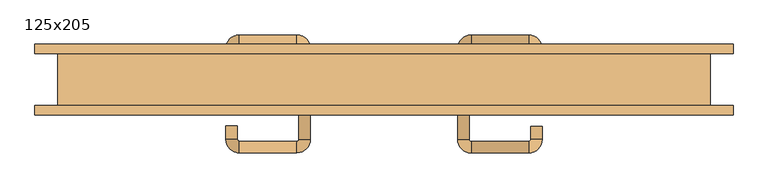
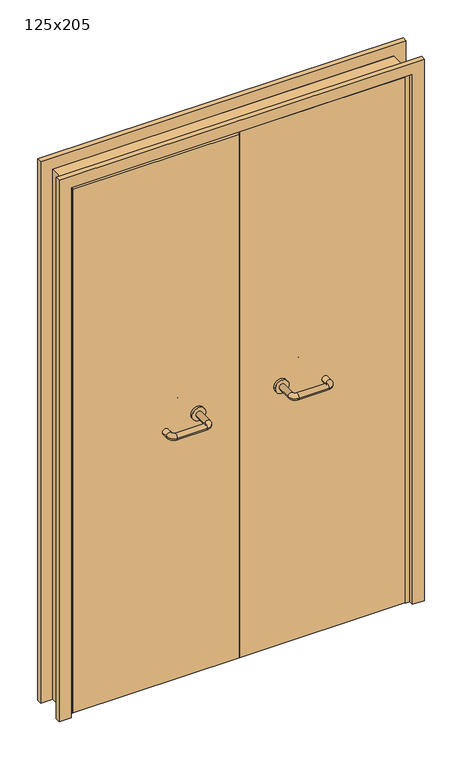
"""IFC4 building model written with IfcOpenShell, lengths in millimetres: door geometry, 125x205."""

from ifc_helpers import new_model, si_unit, point, frame, frame_2d, origin, place, context, project, spatial, polyline, circle_curve, ellipse_curve, trimmed, segment, composite_curve, outline, extrude, faceted_brep, source, transform, mapped, element, save
from ifc_brep_helpers import plane_surface, cylinder_surface, revolved_surface, advanced_brep


def door_125x205_083fb116(model_context):
    return source(origin(), model_context, "Body", "SolidModel", [
        faceted_brep([(-600.0, -3.0, 0.0), (-610.0, -3.0, 0.0), (-610.0, 49.0, 0.0), (-600.0, 49.0, 0.0), (-600.0, 49.0, 2025.0), (-600.0, -3.0, 2025.0), (-610.0, 49.0, 2035.0), (-610.0, -3.0, 2035.0), (600.0, -3.0, 0.0), (600.0, 49.0, 0.0), (610.0, 49.0, 0.0), (610.0, -3.0, 0.0), (600.0, -3.0, 2025.0), (610.0, -3.0, 2035.0), (610.0, 49.0, 2035.0), (600.0, 49.0, 2025.0)], [[[0, 1, 2, 3]], [[3, 4, 5, 0]], [[2, 6, 4, 3]], [[1, 7, 6, 2]], [[0, 5, 7, 1]], [[8, 9, 10, 11]], [[12, 8, 11, 13]], [[13, 11, 10, 14]], [[14, 10, 9, 15]], [[15, 9, 8, 12]], [[4, 15, 12, 5]], [[6, 14, 15, 4]], [[7, 13, 14, 6]], [[5, 12, 13, 7]]]),
        extrude(outline(polyline([(2094.0, 669.0), (2094.0, -669.0), (0.0, -669.0), (0.0, -625.0), (2050.0, -625.0), (2050.0, 625.0), (0.0, 625.0), (0.0, 669.0), (2094.0, 669.0)])), frame((0.0, -68.0, 0.0), z_axis=(0.0, 1.0, 0.0), x_axis=(0.0, 0.0, 1.0)), (0.0, 0.0, 1.0), 18.0),
        extrude(outline(polyline([(2094.0, -669.0), (0.0, -669.0), (0.0, -625.0), (2050.0, -625.0), (2050.0, 625.0), (0.0, 625.0), (0.0, 669.0), (2094.0, 669.0), (2094.0, -669.0)])), frame((0.0, 50.0, 0.0), z_axis=(0.0, 1.0, 0.0), x_axis=(0.0, 0.0, 1.0)), (0.0, 0.0, 1.0), 18.0),
        extrude(outline(polyline([(2050.0, -625.0), (0.0, -625.0), (0.0, -610.0), (2035.0, -610.0), (2035.0, 610.0), (0.0, 610.0), (0.0, 625.0), (2050.0, 625.0), (2050.0, -625.0)])), frame((0.0, -50.0, 0.0), z_axis=(0.0, 1.0, 0.0), x_axis=(0.0, 0.0, 1.0)), (0.0, 0.0, 1.0), 99.0),
        advanced_brep(
        [(140.99898, 4.0, 1003.0), (162.99898, 4.0, 1003.0), (162.99898, 59.3525369, 1003.0), (140.99898, 59.3525369, 1003.0), (166.99898, 63.3525369, 1003.0), (166.99898, 85.3525369, 1003.0), (276.99898, 63.3525369, 1003.0), (276.99898, 85.3525369, 1003.0), (280.99898, 59.3525369, 1003.0), (302.99898, 59.3525369, 1003.0), (302.99898, 42.0, 1003.0), (280.99898, 42.0, 1003.0)],
        [
            (0, 1, circle_curve(frame((151.99898, 4.0, 1003.0), z_axis=(0.0, -1.0, 0.0), x_axis=(1.0, 0.0, 0.0)), 11.0)),
            (1, 0, circle_curve(frame((151.99898, 4.0, 1003.0), z_axis=(0.0, -1.0, 0.0), x_axis=(1.0, 0.0, 0.0)), 11.0)),
            (1, 2),
            (2, 3, circle_curve(frame((151.99898, 59.3525369, 1003.0), z_axis=(0.0, -1.0, 0.0), x_axis=(1.0, 0.0, 0.0)), 11.0)),
            (3, 0),
            (3, 2, circle_curve(frame((151.99898, 59.3525369, 1003.0), z_axis=(0.0, -1.0, 0.0), x_axis=(1.0, 0.0, 0.0)), 11.0)),
            (4, 5, circle_curve(frame((166.99898, 74.3525369, 1003.0), z_axis=(-1.0, 0.0, 0.0), x_axis=(0.0, -1.0, 0.0)), 11.0)),
            (5, 3, circle_curve(frame((166.99898, 59.3525369, 1003.0), z_axis=(0.0, 0.0, 1.0), x_axis=(-1.0, 0.0, 0.0)), 26.0)),
            (2, 4, circle_curve(frame((166.99898, 59.3525369, 1003.0), z_axis=(0.0, 0.0, -1.0), x_axis=(-1.0, 0.0, 0.0)), 4.0)),
            (5, 4, circle_curve(frame((166.99898, 74.3525369, 1003.0), z_axis=(-1.0, 0.0, 0.0), x_axis=(0.0, -1.0, 0.0)), 11.0)),
            (4, 6),
            (6, 7, circle_curve(frame((276.99898, 74.3525369, 1003.0), z_axis=(-1.0, 0.0, 0.0), x_axis=(0.0, -1.0, 0.0)), 11.0)),
            (7, 5),
            (7, 6, circle_curve(frame((276.99898, 74.3525369, 1003.0), z_axis=(-1.0, 0.0, 0.0), x_axis=(0.0, -1.0, 0.0)), 11.0)),
            (8, 9, circle_curve(frame((291.99898, 59.3525369, 1003.0), z_axis=(0.0, 1.0, 0.0), x_axis=(-1.0, 0.0, 0.0)), 11.0)),
            (9, 7, circle_curve(frame((276.99898, 59.3525369, 1003.0), z_axis=(0.0, 0.0, 1.0), x_axis=(0.0, 1.0, 0.0)), 26.0)),
            (6, 8, circle_curve(frame((276.99898, 59.3525369, 1003.0), z_axis=(0.0, 0.0, -1.0), x_axis=(0.0, 1.0, 0.0)), 4.0)),
            (9, 8, circle_curve(frame((291.99898, 59.3525369, 1003.0), z_axis=(0.0, 1.0, 0.0), x_axis=(-1.0, 0.0, 0.0)), 11.0)),
            (10, 11, circle_curve(frame((291.99898, 42.0, 1003.0), z_axis=(0.0, -1.0, 0.0), x_axis=(-1.0, 0.0, 0.0)), 11.0)),
            (11, 10, circle_curve(frame((291.99898, 42.0, 1003.0), z_axis=(0.0, -1.0, 0.0), x_axis=(-1.0, 0.0, 0.0)), 11.0)),
            (8, 11),
            (10, 9),
        ],
        [
            plane_surface(frame((140.99898, 4.0, 1003.0), z_axis=(0.0, -1.0, 0.0), x_axis=(0.0, 0.0, -1.0))),
            cylinder_surface(frame((151.99898, 4.0, 1003.0), z_axis=(0.0, -1.0, 0.0), x_axis=(1.0, 0.0, 0.0)), 11.0),
            revolved_surface(trimmed(ellipse_curve(frame((151.99898, 59.3525369, 1003.0), z_axis=(0.0, 1.0, 0.0), x_axis=(1.0, 0.0, 0.0)), 11.0, 11.0), [point((140.99898, 59.3525369, 1003.0))], [point((162.99898, 59.3525369, 1003.0))], True, "CARTESIAN"), (166.99898, 59.3525369, 1003.0), (0.0, 0.0, 1.0)),
            revolved_surface(trimmed(ellipse_curve(frame((151.99898, 59.3525369, 1003.0), z_axis=(0.0, 1.0, 0.0), x_axis=(1.0, 0.0, 0.0)), 11.0, 11.0), [point((162.99898, 59.3525369, 1003.0))], [point((140.99898, 59.3525369, 1003.0))], True, "CARTESIAN"), (166.99898, 59.3525369, 1003.0), (0.0, 0.0, 1.0)),
            cylinder_surface(frame((166.99898, 74.3525369, 1003.0), z_axis=(-1.0, 0.0, 0.0), x_axis=(0.0, -1.0, 0.0)), 11.0),
            revolved_surface(trimmed(ellipse_curve(frame((276.99898, 74.3525369, 1003.0), z_axis=(1.0, 0.0, 0.0), x_axis=(0.0, -1.0, 0.0)), 11.0, 11.0), [point((276.99898, 85.3525369, 1003.0))], [point((276.99898, 63.3525369, 1003.0))], True, "CARTESIAN"), (276.99898, 59.3525369, 1003.0), (0.0, 0.0, 1.0)),
            revolved_surface(trimmed(ellipse_curve(frame((276.99898, 74.3525369, 1003.0), z_axis=(1.0, 0.0, 0.0), x_axis=(0.0, -1.0, 0.0)), 11.0, 11.0), [point((276.99898, 63.3525369, 1003.0))], [point((276.99898, 85.3525369, 1003.0))], True, "CARTESIAN"), (276.99898, 59.3525369, 1003.0), (0.0, 0.0, 1.0)),
            plane_surface(frame((280.99898, 42.0, 1003.0), z_axis=(0.0, -1.0, 0.0), x_axis=(0.0, 0.0, 1.0))),
            cylinder_surface(frame((291.99898, 59.3525369, 1003.0), z_axis=(0.0, 1.0, 0.0), x_axis=(-1.0, 0.0, 0.0)), 11.0),
        ],
        [
            (0, [[1, 2]]),
            (1, [[3, 4, 5, -2]]),
            (1, [[-5, 6, -3, -1]]),
            (2, [[7, 8, -4, 9]]),
            (3, [[10, -9, -6, -8]]),
            (4, [[11, 12, 13, -7]]),
            (4, [[-13, 14, -11, -10]]),
            (5, [[15, 16, -12, 17]]),
            (6, [[18, -17, -14, -16]]),
            (7, [[19, 20]]),
            (8, [[21, -19, 22, -15]]),
            (8, [[-22, -20, -21, -18]]),
        ],
    ),
        extrude(outline(composite_curve([segment(trimmed(circle_curve(frame_2d((1003.0, 151.99898)), 25.0), [point((1003.0, 126.99898))], [point((1003.0, 176.99898))], False, "CARTESIAN"), True, "CONTINUOUS"), segment(trimmed(circle_curve(frame_2d((1003.0, 151.99898)), 25.0), [point((1003.0, 176.99898))], [point((1003.0, 126.99898))], False, "CARTESIAN"), True, "CONTINUOUS")], self_intersect=False)), frame((0.0, -6.0, 0.0), z_axis=(0.0, 1.0, 0.0), x_axis=(0.0, 0.0, 1.0)), (0.0, 0.0, 1.0), 10.0),
        advanced_brep(
        [(162.99898, -60.0, 1003.0), (140.99898, -60.0, 1003.0), (140.99898, -115.0, 1003.0), (162.99898, -115.0, 1003.0), (166.99898, -141.0, 1003.0), (166.99898, -119.0, 1003.0), (276.99898, -141.0, 1003.0), (276.99898, -119.0, 1003.0), (302.99898, -115.0, 1003.0), (280.99898, -115.0, 1003.0), (280.99898, -90.0, 1003.0), (302.99898, -90.0, 1003.0)],
        [
            (0, 1, circle_curve(frame((151.99898, -60.0, 1003.0), z_axis=(0.0, 1.0, 0.0), x_axis=(-1.0, 0.0, 0.0)), 11.0)),
            (1, 0, circle_curve(frame((151.99898, -60.0, 1003.0), z_axis=(0.0, 1.0, 0.0), x_axis=(-1.0, 0.0, 0.0)), 11.0)),
            (1, 2),
            (2, 3, circle_curve(frame((151.99898, -115.0, 1003.0), z_axis=(0.0, 1.0, 0.0), x_axis=(-1.0, 0.0, 0.0)), 11.0)),
            (3, 0),
            (3, 2, circle_curve(frame((151.99898, -115.0, 1003.0), z_axis=(0.0, 1.0, 0.0), x_axis=(-1.0, 0.0, 0.0)), 11.0)),
            (4, 5, circle_curve(frame((166.99898, -130.0, 1003.0), z_axis=(-1.0, 0.0, 0.0), x_axis=(0.0, -1.0, 0.0)), 11.0)),
            (5, 3, circle_curve(frame((166.99898, -115.0, 1003.0), z_axis=(0.0, 0.0, -1.0), x_axis=(-1.0, 0.0, 0.0)), 4.0)),
            (2, 4, circle_curve(frame((166.99898, -115.0, 1003.0), z_axis=(0.0, 0.0, 1.0), x_axis=(-1.0, 0.0, 0.0)), 26.0)),
            (5, 4, circle_curve(frame((166.99898, -130.0, 1003.0), z_axis=(-1.0, 0.0, 0.0), x_axis=(0.0, -1.0, 0.0)), 11.0)),
            (4, 6),
            (6, 7, circle_curve(frame((276.99898, -130.0, 1003.0), z_axis=(-1.0, 0.0, 0.0), x_axis=(0.0, -1.0, 0.0)), 11.0)),
            (7, 5),
            (7, 6, circle_curve(frame((276.99898, -130.0, 1003.0), z_axis=(-1.0, 0.0, 0.0), x_axis=(0.0, -1.0, 0.0)), 11.0)),
            (8, 9, circle_curve(frame((291.99898, -115.0, 1003.0), z_axis=(0.0, -1.0, 0.0), x_axis=(1.0, 0.0, 0.0)), 11.0)),
            (9, 7, circle_curve(frame((276.99898, -115.0, 1003.0), z_axis=(0.0, 0.0, -1.0), x_axis=(0.0, -1.0, 0.0)), 4.0)),
            (6, 8, circle_curve(frame((276.99898, -115.0, 1003.0), z_axis=(0.0, 0.0, 1.0), x_axis=(0.0, -1.0, 0.0)), 26.0)),
            (9, 8, circle_curve(frame((291.99898, -115.0, 1003.0), z_axis=(0.0, -1.0, 0.0), x_axis=(1.0, 0.0, 0.0)), 11.0)),
            (10, 11, circle_curve(frame((291.99898, -90.0, 1003.0), z_axis=(0.0, 1.0, 0.0), x_axis=(1.0, 0.0, 0.0)), 11.0)),
            (11, 10, circle_curve(frame((291.99898, -90.0, 1003.0), z_axis=(0.0, 1.0, 0.0), x_axis=(1.0, 0.0, 0.0)), 11.0)),
            (8, 11),
            (10, 9),
        ],
        [
            plane_surface(frame((140.99898, -60.0, 1003.0), z_axis=(0.0, 1.0, 0.0), x_axis=(0.0, 0.0, 1.0))),
            cylinder_surface(frame((151.99898, -60.0, 1003.0), z_axis=(0.0, 1.0, 0.0), x_axis=(-1.0, 0.0, 0.0)), 11.0),
            revolved_surface(trimmed(ellipse_curve(frame((151.99898, -115.0, 1003.0), z_axis=(0.0, -1.0, 0.0), x_axis=(-1.0, 0.0, 0.0)), 11.0, 11.0), [point((162.99898, -115.0, 1003.0))], [point((140.99898, -115.0, 1003.0))], True, "CARTESIAN"), (166.99898, -115.0, 1003.0), (0.0, 0.0, -1.0)),
            revolved_surface(trimmed(ellipse_curve(frame((151.99898, -115.0, 1003.0), z_axis=(0.0, -1.0, 0.0), x_axis=(-1.0, 0.0, 0.0)), 11.0, 11.0), [point((140.99898, -115.0, 1003.0))], [point((162.99898, -115.0, 1003.0))], True, "CARTESIAN"), (166.99898, -115.0, 1003.0), (0.0, 0.0, -1.0)),
            cylinder_surface(frame((166.99898, -130.0, 1003.0), z_axis=(-1.0, 0.0, 0.0), x_axis=(0.0, -1.0, 0.0)), 11.0),
            revolved_surface(trimmed(ellipse_curve(frame((276.99898, -130.0, 1003.0), z_axis=(1.0, 0.0, 0.0), x_axis=(0.0, -1.0, 0.0)), 11.0, 11.0), [point((276.99898, -119.0, 1003.0))], [point((276.99898, -141.0, 1003.0))], True, "CARTESIAN"), (276.99898, -115.0, 1003.0), (0.0, 0.0, -1.0)),
            revolved_surface(trimmed(ellipse_curve(frame((276.99898, -130.0, 1003.0), z_axis=(1.0, 0.0, 0.0), x_axis=(0.0, -1.0, 0.0)), 11.0, 11.0), [point((276.99898, -141.0, 1003.0))], [point((276.99898, -119.0, 1003.0))], True, "CARTESIAN"), (276.99898, -115.0, 1003.0), (0.0, 0.0, -1.0)),
            plane_surface(frame((280.99898, -90.0, 1003.0), z_axis=(0.0, 1.0, 0.0), x_axis=(0.0, 0.0, -1.0))),
            cylinder_surface(frame((291.99898, -115.0, 1003.0), z_axis=(0.0, -1.0, 0.0), x_axis=(1.0, 0.0, 0.0)), 11.0),
        ],
        [
            (0, [[1, 2]]),
            (1, [[3, 4, 5, -2]]),
            (1, [[-5, 6, -3, -1]]),
            (2, [[7, 8, -4, 9]]),
            (3, [[10, -9, -6, -8]]),
            (4, [[11, 12, 13, -7]]),
            (4, [[-13, 14, -11, -10]]),
            (5, [[15, 16, -12, 17]]),
            (6, [[18, -17, -14, -16]]),
            (7, [[19, 20]]),
            (8, [[21, -19, 22, -15]]),
            (8, [[-22, -20, -21, -18]]),
        ],
    ),
        extrude(outline(composite_curve([segment(trimmed(circle_curve(frame_2d((1003.0, 151.99898)), 25.0), [point((1003.0, 176.99898))], [point((1003.0, 126.99898))], False, "CARTESIAN"), True, "CONTINUOUS"), segment(trimmed(circle_curve(frame_2d((1003.0, 151.99898)), 25.0), [point((1003.0, 126.99898))], [point((1003.0, 176.99898))], False, "CARTESIAN"), True, "CONTINUOUS")], self_intersect=False)), frame((0.0, -60.0, 0.0), z_axis=(0.0, 1.0, 0.0), x_axis=(0.0, 0.0, 1.0)), (0.0, 0.0, 1.0), 10.0),
        advanced_brep(
        [(-162.99898, 4.3113879, 1003.0), (-140.99898, 4.3113879, 1003.0), (-140.99898, 59.7220447, 1003.0), (-162.99898, 59.7220447, 1003.0), (-166.99898, 85.7220447, 1003.0), (-166.99898, 63.7220447, 1003.0), (-276.99898, 85.7220447, 1003.0), (-276.99898, 63.7220447, 1003.0), (-302.99898, 59.7220447, 1003.0), (-280.99898, 59.7220447, 1003.0), (-280.99898, 34.7220447, 1003.0), (-302.99898, 34.7220447, 1003.0)],
        [
            (0, 1, circle_curve(frame((-151.99898, 4.3113879, 1003.0), z_axis=(0.0, -1.0, 0.0), x_axis=(1.0, 0.0, 0.0)), 11.0)),
            (1, 0, circle_curve(frame((-151.99898, 4.3113879, 1003.0), z_axis=(0.0, -1.0, 0.0), x_axis=(1.0, 0.0, 0.0)), 11.0)),
            (1, 2),
            (2, 3, circle_curve(frame((-151.99898, 59.7220447, 1003.0), z_axis=(0.0, -1.0, 0.0), x_axis=(1.0, 0.0, 0.0)), 11.0)),
            (3, 0),
            (3, 2, circle_curve(frame((-151.99898, 59.7220447, 1003.0), z_axis=(0.0, -1.0, 0.0), x_axis=(1.0, 0.0, 0.0)), 11.0)),
            (4, 5, circle_curve(frame((-166.99898, 74.7220447, 1003.0), z_axis=(1.0, 0.0, 0.0), x_axis=(0.0, 1.0, 0.0)), 11.0)),
            (5, 3, circle_curve(frame((-166.99898, 59.7220447, 1003.0), z_axis=(0.0, 0.0, -1.0), x_axis=(1.0, 0.0, 0.0)), 4.0)),
            (2, 4, circle_curve(frame((-166.99898, 59.7220447, 1003.0), z_axis=(0.0, 0.0, 1.0), x_axis=(1.0, 0.0, 0.0)), 26.0)),
            (5, 4, circle_curve(frame((-166.99898, 74.7220447, 1003.0), z_axis=(1.0, 0.0, 0.0), x_axis=(0.0, 1.0, 0.0)), 11.0)),
            (4, 6),
            (6, 7, circle_curve(frame((-276.99898, 74.7220447, 1003.0), z_axis=(1.0, 0.0, 0.0), x_axis=(0.0, 1.0, 0.0)), 11.0)),
            (7, 5),
            (7, 6, circle_curve(frame((-276.99898, 74.7220447, 1003.0), z_axis=(1.0, 0.0, 0.0), x_axis=(0.0, 1.0, 0.0)), 11.0)),
            (8, 9, circle_curve(frame((-291.99898, 59.7220447, 1003.0), z_axis=(0.0, 1.0, 0.0), x_axis=(-1.0, 0.0, 0.0)), 11.0)),
            (9, 7, circle_curve(frame((-276.99898, 59.7220447, 1003.0), z_axis=(0.0, 0.0, -1.0), x_axis=(0.0, 1.0, 0.0)), 4.0)),
            (6, 8, circle_curve(frame((-276.99898, 59.7220447, 1003.0), z_axis=(0.0, 0.0, 1.0), x_axis=(0.0, 1.0, 0.0)), 26.0)),
            (9, 8, circle_curve(frame((-291.99898, 59.7220447, 1003.0), z_axis=(0.0, 1.0, 0.0), x_axis=(-1.0, 0.0, 0.0)), 11.0)),
            (10, 11, circle_curve(frame((-291.99898, 34.7220447, 1003.0), z_axis=(0.0, -1.0, 0.0), x_axis=(-1.0, 0.0, 0.0)), 11.0)),
            (11, 10, circle_curve(frame((-291.99898, 34.7220447, 1003.0), z_axis=(0.0, -1.0, 0.0), x_axis=(-1.0, 0.0, 0.0)), 11.0)),
            (8, 11),
            (10, 9),
        ],
        [
            plane_surface(frame((-162.99898, 4.3113879, 1003.0), z_axis=(0.0, -1.0, 0.0), x_axis=(0.0, 0.0, -1.0))),
            cylinder_surface(frame((-151.99898, 4.3113879, 1003.0), z_axis=(0.0, -1.0, 0.0), x_axis=(1.0, 0.0, 0.0)), 11.0),
            revolved_surface(trimmed(ellipse_curve(frame((-151.99898, 59.7220447, 1003.0), z_axis=(0.0, 1.0, 0.0), x_axis=(1.0, 0.0, 0.0)), 11.0, 11.0), [point((-162.99898, 59.7220447, 1003.0))], [point((-140.99898, 59.7220447, 1003.0))], True, "CARTESIAN"), (-166.99898, 59.7220447, 1003.0), (0.0, 0.0, -1.0)),
            revolved_surface(trimmed(ellipse_curve(frame((-151.99898, 59.7220447, 1003.0), z_axis=(0.0, 1.0, 0.0), x_axis=(1.0, 0.0, 0.0)), 11.0, 11.0), [point((-140.99898, 59.7220447, 1003.0))], [point((-162.99898, 59.7220447, 1003.0))], True, "CARTESIAN"), (-166.99898, 59.7220447, 1003.0), (0.0, 0.0, -1.0)),
            cylinder_surface(frame((-166.99898, 74.7220447, 1003.0), z_axis=(1.0, 0.0, 0.0), x_axis=(0.0, 1.0, 0.0)), 11.0),
            revolved_surface(trimmed(ellipse_curve(frame((-276.99898, 74.7220447, 1003.0), z_axis=(-1.0, 0.0, 0.0), x_axis=(0.0, 1.0, 0.0)), 11.0, 11.0), [point((-276.99898, 63.7220447, 1003.0))], [point((-276.99898, 85.7220447, 1003.0))], True, "CARTESIAN"), (-276.99898, 59.7220447, 1003.0), (0.0, 0.0, -1.0)),
            revolved_surface(trimmed(ellipse_curve(frame((-276.99898, 74.7220447, 1003.0), z_axis=(-1.0, 0.0, 0.0), x_axis=(0.0, 1.0, 0.0)), 11.0, 11.0), [point((-276.99898, 85.7220447, 1003.0))], [point((-276.99898, 63.7220447, 1003.0))], True, "CARTESIAN"), (-276.99898, 59.7220447, 1003.0), (0.0, 0.0, -1.0)),
            plane_surface(frame((-302.99898, 34.7220447, 1003.0), z_axis=(0.0, -1.0, 0.0), x_axis=(0.0, 0.0, 1.0))),
            cylinder_surface(frame((-291.99898, 59.7220447, 1003.0), z_axis=(0.0, 1.0, 0.0), x_axis=(-1.0, 0.0, 0.0)), 11.0),
        ],
        [
            (0, [[1, 2]]),
            (1, [[3, 4, 5, -2]]),
            (1, [[-5, 6, -3, -1]]),
            (2, [[7, 8, -4, 9]]),
            (3, [[10, -9, -6, -8]]),
            (4, [[11, 12, 13, -7]]),
            (4, [[-13, 14, -11, -10]]),
            (5, [[15, 16, -12, 17]]),
            (6, [[18, -17, -14, -16]]),
            (7, [[19, 20]]),
            (8, [[21, -19, 22, -15]]),
            (8, [[-22, -20, -21, -18]]),
        ],
    ),
        extrude(outline(composite_curve([segment(trimmed(circle_curve(frame_2d((1003.0, -151.99898)), 25.0), [point((1003.0, -176.99898))], [point((1003.0, -126.99898))], False, "CARTESIAN"), True, "CONTINUOUS"), segment(trimmed(circle_curve(frame_2d((1003.0, -151.99898)), 25.0), [point((1003.0, -126.99898))], [point((1003.0, -176.99898))], False, "CARTESIAN"), True, "CONTINUOUS")], self_intersect=False)), frame((0.0, -6.0, 0.0), z_axis=(0.0, 1.0, 0.0), x_axis=(0.0, 0.0, 1.0)), (0.0, 0.0, 1.0), 10.3113879),
        advanced_brep(
        [(-140.99898, -59.5143417, 1003.0), (-162.99898, -59.5143417, 1003.0), (-162.99898, -114.6104656, 1003.0), (-140.99898, -114.6104656, 1003.0), (-166.99898, -118.6104656, 1003.0), (-166.99898, -140.6104656, 1003.0), (-276.99898, -118.6104656, 1003.0), (-276.99898, -140.6104656, 1003.0), (-280.99898, -114.6104656, 1003.0), (-302.99898, -114.6104656, 1003.0), (-302.99898, -89.6104656, 1003.0), (-280.99898, -89.6104656, 1003.0)],
        [
            (0, 1, circle_curve(frame((-151.99898, -59.5143417, 1003.0), z_axis=(0.0, 1.0, 0.0), x_axis=(-1.0, 0.0, 0.0)), 11.0)),
            (1, 0, circle_curve(frame((-151.99898, -59.5143417, 1003.0), z_axis=(0.0, 1.0, 0.0), x_axis=(-1.0, 0.0, 0.0)), 11.0)),
            (1, 2),
            (2, 3, circle_curve(frame((-151.99898, -114.6104656, 1003.0), z_axis=(0.0, 1.0, 0.0), x_axis=(-1.0, 0.0, 0.0)), 11.0)),
            (3, 0),
            (3, 2, circle_curve(frame((-151.99898, -114.6104656, 1003.0), z_axis=(0.0, 1.0, 0.0), x_axis=(-1.0, 0.0, 0.0)), 11.0)),
            (4, 5, circle_curve(frame((-166.99898, -129.6104656, 1003.0), z_axis=(1.0, 0.0, 0.0), x_axis=(0.0, 1.0, 0.0)), 11.0)),
            (5, 3, circle_curve(frame((-166.99898, -114.6104656, 1003.0), z_axis=(0.0, 0.0, 1.0), x_axis=(1.0, 0.0, 0.0)), 26.0)),
            (2, 4, circle_curve(frame((-166.99898, -114.6104656, 1003.0), z_axis=(0.0, 0.0, -1.0), x_axis=(1.0, 0.0, 0.0)), 4.0)),
            (5, 4, circle_curve(frame((-166.99898, -129.6104656, 1003.0), z_axis=(1.0, 0.0, 0.0), x_axis=(0.0, 1.0, 0.0)), 11.0)),
            (4, 6),
            (6, 7, circle_curve(frame((-276.99898, -129.6104656, 1003.0), z_axis=(1.0, 0.0, 0.0), x_axis=(0.0, 1.0, 0.0)), 11.0)),
            (7, 5),
            (7, 6, circle_curve(frame((-276.99898, -129.6104656, 1003.0), z_axis=(1.0, 0.0, 0.0), x_axis=(0.0, 1.0, 0.0)), 11.0)),
            (8, 9, circle_curve(frame((-291.99898, -114.6104656, 1003.0), z_axis=(0.0, -1.0, 0.0), x_axis=(1.0, 0.0, 0.0)), 11.0)),
            (9, 7, circle_curve(frame((-276.99898, -114.6104656, 1003.0), z_axis=(0.0, 0.0, 1.0), x_axis=(0.0, -1.0, 0.0)), 26.0)),
            (6, 8, circle_curve(frame((-276.99898, -114.6104656, 1003.0), z_axis=(0.0, 0.0, -1.0), x_axis=(0.0, -1.0, 0.0)), 4.0)),
            (9, 8, circle_curve(frame((-291.99898, -114.6104656, 1003.0), z_axis=(0.0, -1.0, 0.0), x_axis=(1.0, 0.0, 0.0)), 11.0)),
            (10, 11, circle_curve(frame((-291.99898, -89.6104656, 1003.0), z_axis=(0.0, 1.0, 0.0), x_axis=(1.0, 0.0, 0.0)), 11.0)),
            (11, 10, circle_curve(frame((-291.99898, -89.6104656, 1003.0), z_axis=(0.0, 1.0, 0.0), x_axis=(1.0, 0.0, 0.0)), 11.0)),
            (8, 11),
            (10, 9),
        ],
        [
            plane_surface(frame((-162.99898, -59.5143417, 1003.0), z_axis=(0.0, 1.0, 0.0), x_axis=(0.0, 0.0, 1.0))),
            cylinder_surface(frame((-151.99898, -59.5143417, 1003.0), z_axis=(0.0, 1.0, 0.0), x_axis=(-1.0, 0.0, 0.0)), 11.0),
            revolved_surface(trimmed(ellipse_curve(frame((-151.99898, -114.6104656, 1003.0), z_axis=(0.0, -1.0, 0.0), x_axis=(-1.0, 0.0, 0.0)), 11.0, 11.0), [point((-140.99898, -114.6104656, 1003.0))], [point((-162.99898, -114.6104656, 1003.0))], True, "CARTESIAN"), (-166.99898, -114.6104656, 1003.0), (0.0, 0.0, 1.0)),
            revolved_surface(trimmed(ellipse_curve(frame((-151.99898, -114.6104656, 1003.0), z_axis=(0.0, -1.0, 0.0), x_axis=(-1.0, 0.0, 0.0)), 11.0, 11.0), [point((-162.99898, -114.6104656, 1003.0))], [point((-140.99898, -114.6104656, 1003.0))], True, "CARTESIAN"), (-166.99898, -114.6104656, 1003.0), (0.0, 0.0, 1.0)),
            cylinder_surface(frame((-166.99898, -129.6104656, 1003.0), z_axis=(1.0, 0.0, 0.0), x_axis=(0.0, 1.0, 0.0)), 11.0),
            revolved_surface(trimmed(ellipse_curve(frame((-276.99898, -129.6104656, 1003.0), z_axis=(-1.0, 0.0, 0.0), x_axis=(0.0, 1.0, 0.0)), 11.0, 11.0), [point((-276.99898, -140.6104656, 1003.0))], [point((-276.99898, -118.6104656, 1003.0))], True, "CARTESIAN"), (-276.99898, -114.6104656, 1003.0), (0.0, 0.0, 1.0)),
            revolved_surface(trimmed(ellipse_curve(frame((-276.99898, -129.6104656, 1003.0), z_axis=(-1.0, 0.0, 0.0), x_axis=(0.0, 1.0, 0.0)), 11.0, 11.0), [point((-276.99898, -118.6104656, 1003.0))], [point((-276.99898, -140.6104656, 1003.0))], True, "CARTESIAN"), (-276.99898, -114.6104656, 1003.0), (0.0, 0.0, 1.0)),
            plane_surface(frame((-302.99898, -89.6104656, 1003.0), z_axis=(0.0, 1.0, 0.0), x_axis=(0.0, 0.0, -1.0))),
            cylinder_surface(frame((-291.99898, -114.6104656, 1003.0), z_axis=(0.0, -1.0, 0.0), x_axis=(1.0, 0.0, 0.0)), 11.0),
        ],
        [
            (0, [[1, 2]]),
            (1, [[3, 4, 5, -2]]),
            (1, [[-5, 6, -3, -1]]),
            (2, [[7, 8, -4, 9]]),
            (3, [[10, -9, -6, -8]]),
            (4, [[11, 12, 13, -7]]),
            (4, [[-13, 14, -11, -10]]),
            (5, [[15, 16, -12, 17]]),
            (6, [[18, -17, -14, -16]]),
            (7, [[19, 20]]),
            (8, [[21, -19, 22, -15]]),
            (8, [[-22, -20, -21, -18]]),
        ],
    ),
        extrude(outline(composite_curve([segment(trimmed(circle_curve(frame_2d((1003.0, -151.99898)), 25.0), [point((1003.0, -126.99898))], [point((1003.0, -176.99898))], False, "CARTESIAN"), True, "CONTINUOUS"), segment(trimmed(circle_curve(frame_2d((1003.0, -151.99898)), 25.0), [point((1003.0, -176.99898))], [point((1003.0, -126.99898))], False, "CARTESIAN"), True, "CONTINUOUS")], self_intersect=False)), frame((0.0, -59.5143417, 0.0), z_axis=(0.0, 1.0, 0.0), x_axis=(0.0, 0.0, 1.0)), (0.0, 0.0, 1.0), 9.5143417),
        extrude(outline(polyline([(1.0739506, -6.0), (1.0739506, -50.0), (-607.0, -50.0), (-607.0, -6.0), (1.0739506, -6.0)])), frame((0.0, 0.0, 1.753223), z_axis=(0.0, 0.0, 1.0), x_axis=(1.0, 0.0, 0.0)), (0.0, 0.0, 1.0), 2024.246777),
        extrude(outline(polyline([(607.0, -6.0), (607.0, -50.0), (1.0739506, -50.0), (1.0739506, -6.0), (607.0, -6.0)])), frame((0.0, 0.0, 1.753223), z_axis=(0.0, 0.0, 1.0), x_axis=(1.0, 0.0, 0.0)), (0.0, 0.0, 1.0), 2033.246777),
    ])


if __name__ == "__main__":
    model = new_model("IFC4")
    model_context = context("Model", 3, world=origin())
    ifc_project = project(units=[si_unit("LENGTHUNIT", "METRE", prefix="MILLI")], contexts=[model_context])
    site = spatial("IfcSite", under=ifc_project)
    building = spatial("IfcBuilding", under=site)
    placement = place(None, origin())
    door_125x205_shape = door_125x205_083fb116(model_context)
    element("IfcDoor", 1, ObjectType="125x205", at=placement, inside=building, context=model_context, shape_type="MappedRepresentation", body=[
        mapped(door_125x205_shape, transform((0.0, 0.0, 0.0), x_axis=(1.0, 0.0, 0.0), y_axis=(0.0, 1.0, 0.0), z_axis=(0.0, 0.0, 1.0))),
    ])
    save(model, "model.ifc")
